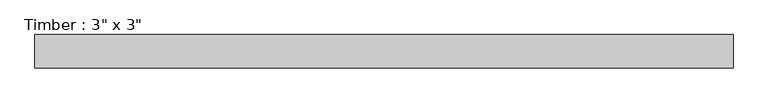
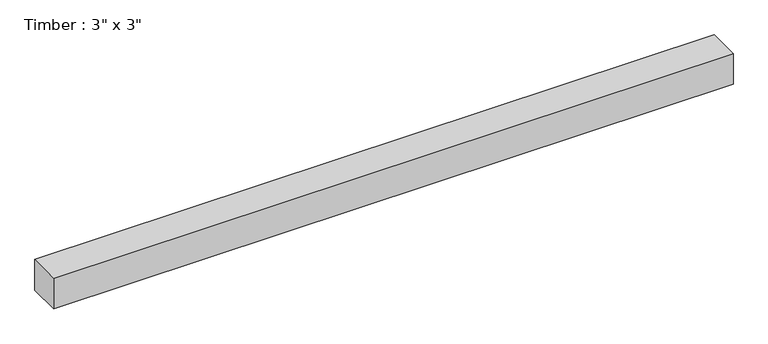
"""IFC4 building model written with IfcOpenShell, lengths in millimetres: beam geometry."""

from ifc_helpers import new_model, si_unit, frame, origin, place, context, project, spatial, polyline, outline, extrude, source, transform, mapped, element, save


def beam_b281cc49(model_context):
    return source(origin(), model_context, "Body", "SweptSolid", [
        extrude(outline(polyline([(795.3375, 38.1), (795.3375, -38.1), (-795.3375, -38.1), (-795.3375, 38.1), (795.3375, 38.1)])), frame((0.0, 0.0, -38.1), z_axis=(0.0, 0.0, 1.0), x_axis=(1.0, 0.0, 0.0)), (0.0, 0.0, 1.0), 76.2),
    ])


if __name__ == "__main__":
    model = new_model("IFC4")
    model_context = context("Model", 3, world=origin())
    ifc_project = project(units=[si_unit("LENGTHUNIT", "METRE", prefix="MILLI")], contexts=[model_context])
    site = spatial("IfcSite", under=ifc_project)
    building = spatial("IfcBuilding", under=site)
    placement = place(None, origin())
    beam_shape = beam_b281cc49(model_context)
    element("IfcBeam", 1, ObjectType="Timber : 3\" x 3\"", at=placement, inside=building, context=model_context, shape_type="MappedRepresentation", body=[
        mapped(beam_shape, transform((0.0, 0.0, 0.0), x_axis=(1.0, 0.0, 0.0), y_axis=(0.0, 1.0, 0.0), z_axis=(0.0, 0.0, 1.0))),
    ])
    save(model, "model.ifc")
